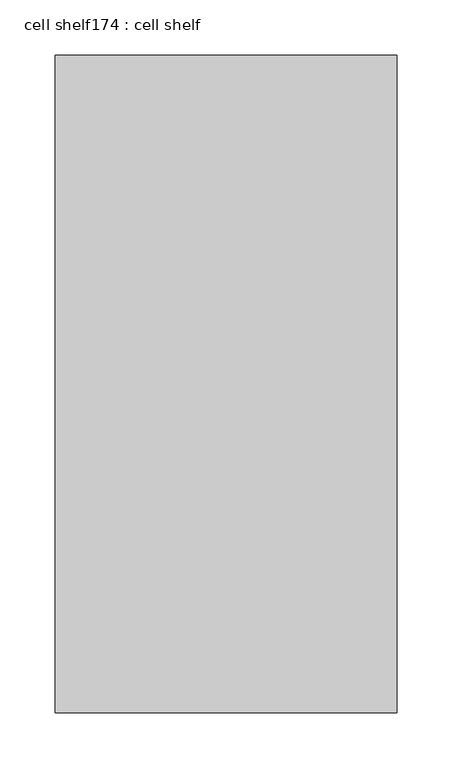
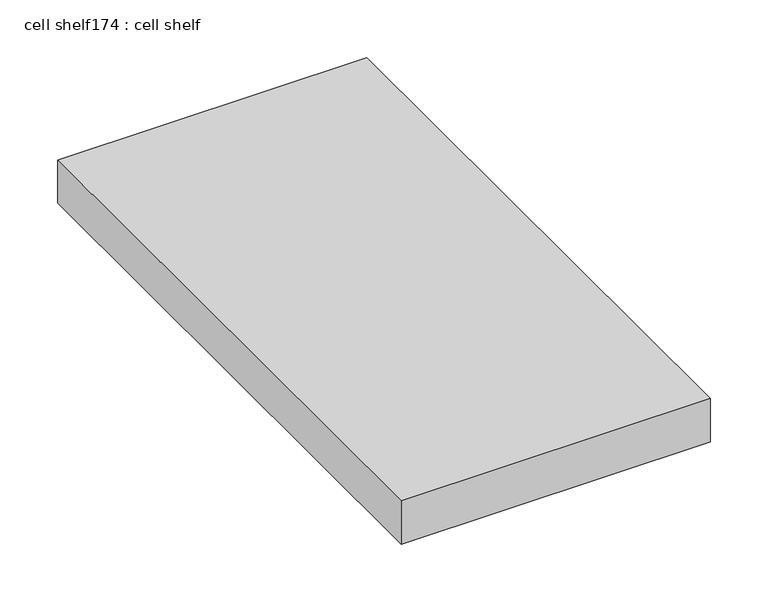
"""IFC4 building model written with IfcOpenShell, lengths in millimetres: proxy geometry, cell shelf174 : cell shelf."""

from ifc_helpers import new_model, si_unit, frame, origin, place, context, project, spatial, polyline, outline, extrude, source, transform, mapped, element, save


def cell_shelf174_cell_shelf_b85c63e2(model_context):
    return source(origin(), model_context, "Body", "SweptSolid", [
        extrude(outline(polyline([(-231512.4407024, -45487.0417641), (-231512.4407024, -44891.9553685), (-231203.0929059, -44891.9553685), (-231203.0929059, -45487.0417641), (-231512.4407024, -45487.0417641)])), frame((0.0, 0.0, 1320.0941517), z_axis=(0.0, 0.0, 1.0), x_axis=(1.0, 0.0, 0.0)), (0.0, 0.0, 1.0), 45.8133004),
    ])


if __name__ == "__main__":
    model = new_model("IFC4")
    model_context = context("Model", 3, world=origin())
    ifc_project = project(units=[si_unit("LENGTHUNIT", "METRE", prefix="MILLI")], contexts=[model_context])
    site = spatial("IfcSite", under=ifc_project)
    building = spatial("IfcBuilding", under=site)
    placement = place(None, origin())
    cell_shelf174_cell_shelf_shape = cell_shelf174_cell_shelf_b85c63e2(model_context)
    element("IfcBuildingElementProxy", 1, Name="cell shelf174 : cell shelf", ObjectType="cell shelf174 : cell shelf", at=placement, inside=building, context=model_context, shape_type="MappedRepresentation", body=[
        mapped(cell_shelf174_cell_shelf_shape, transform((0.0, 0.0, 0.0), x_axis=(1.0, 0.0, 0.0), y_axis=(0.0, 1.0, 0.0), z_axis=(0.0, 0.0, 1.0))),
    ])
    save(model, "model.ifc")
